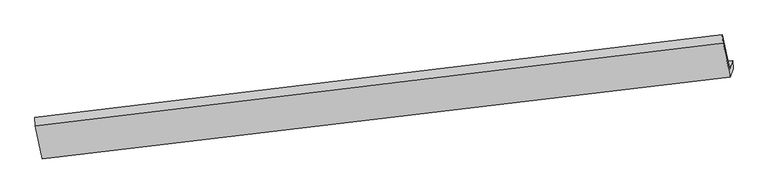
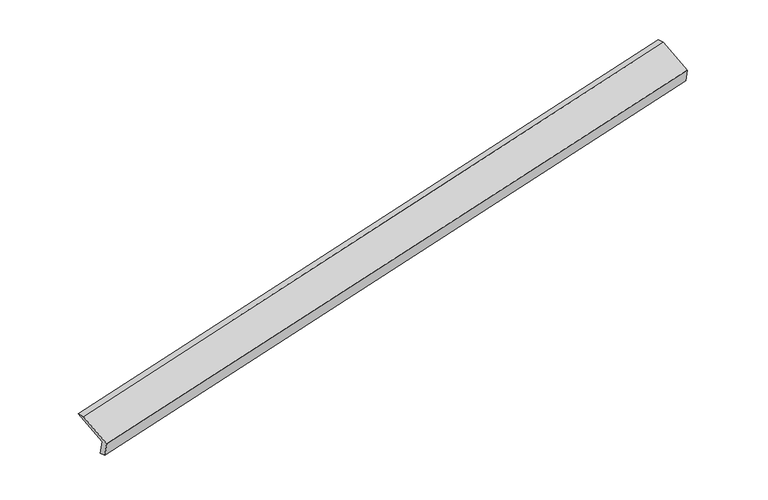
"""IFC4 building model written with IfcOpenShell, lengths in millimetres: proxy geometry."""

from ifc_helpers import new_model, si_unit, origin, place, context, project, spatial, faceted_brep, source, transform, mapped, element, save


def generic_models_44f454d2(model_context):
    return source(origin(), model_context, "Body", "Brep", [
        faceted_brep([(-9713.6082312, -2356.2679544, 72.0171918), (-9777.8218804, -2539.979442, 476.0699039), (4098.6172614, -886.1043051, 3405.5904582), (4160.6831883, -708.5373253, 3015.0518985), (-9705.2593008, -2518.7914742, 122.4907145), (4169.0321187, -871.0608451, 3065.5254211), (-9768.3559301, -2699.3072333, 519.5147819), (4108.0832116, -1045.4320964, 3449.0353362), (-9906.8117069, -2029.8441656, 801.8970107), (3966.8195924, -362.3925142, 3737.1441937), (-9918.6203922, -1859.1887531, 763.230169), (3955.0109071, -191.7371018, 3698.4773521)], [[[0, 1, 2, 3]], [[4, 0, 3, 5]], [[6, 4, 5, 7]], [[8, 6, 7, 9]], [[10, 8, 9, 11]], [[1, 10, 11, 2]], [[9, 7, 5, 3, 2, 11]], [[1, 0, 4, 6, 8, 10]]]),
    ])


if __name__ == "__main__":
    model = new_model("IFC4")
    model_context = context("Model", 3, world=origin())
    ifc_project = project(units=[si_unit("LENGTHUNIT", "METRE", prefix="MILLI")], contexts=[model_context])
    site = spatial("IfcSite", under=ifc_project)
    building = spatial("IfcBuilding", under=site)
    placement = place(None, origin())
    generic_models_shape = generic_models_44f454d2(model_context)
    element("IfcBuildingElementProxy", 1, Name="Generic Models", at=placement, inside=building, context=model_context, shape_type="MappedRepresentation", body=[
        mapped(generic_models_shape, transform((0.0, 0.0, 0.0), x_axis=(1.0, 0.0, 0.0), y_axis=(0.0, 1.0, 0.0), z_axis=(0.0, 0.0, 1.0))),
    ])
    save(model, "model.ifc")
